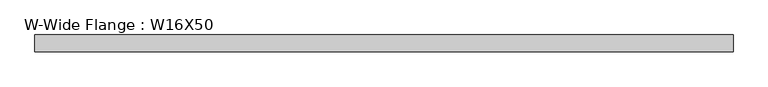
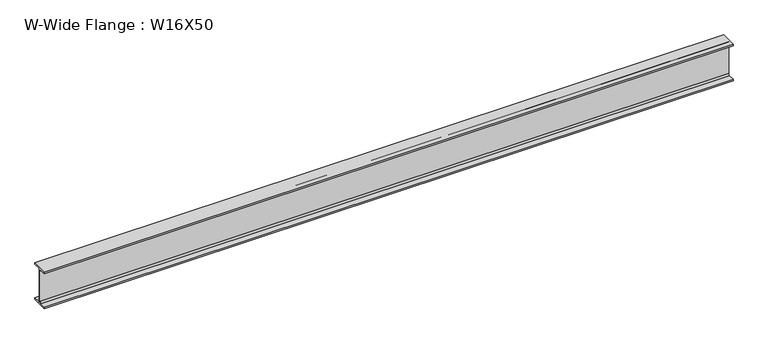
"""IFC4 building model written with IfcOpenShell, lengths in millimetres: beam geometry, W-Wide Flange : W16X50."""

from ifc_helpers import new_model, si_unit, point, frame, frame_2d, origin, place, context, project, spatial, polyline, circle_curve, trimmed, segment, composite_curve, outline, extrude, source, transform, mapped, element, save


def w_wide_flange_w16x50_7963abec(model_context):
    return source(origin(), model_context, "Body", "SweptSolid", [
        extrude(outline(composite_curve([segment(polyline([(89.8, -191.0), (89.8, -207.0), (-89.8, -207.0), (-89.8, -191.0), (-22.15, -191.0)]), True, "CONTINUOUS"), segment(trimmed(circle_curve(frame_2d((-22.15, -173.7)), 17.3), [point((-22.15, -191.0))], [point((-4.85, -173.7))], True, "CARTESIAN"), True, "CONTINUOUS"), segment(polyline([(-4.85, -173.7), (-4.85, 173.7)]), True, "CONTINUOUS"), segment(trimmed(circle_curve(frame_2d((-22.15, 173.7)), 17.3), [point((-4.85, 173.7))], [point((-22.15, 191.0))], True, "CARTESIAN"), True, "CONTINUOUS"), segment(polyline([(-22.15, 191.0), (-89.8, 191.0), (-89.8, 207.0), (89.8, 207.0), (89.8, 191.0), (22.15, 191.0)]), True, "CONTINUOUS"), segment(trimmed(circle_curve(frame_2d((22.15, 173.7)), 17.3), [point((22.15, 191.0))], [point((4.85, 173.7))], True, "CARTESIAN"), True, "CONTINUOUS"), segment(polyline([(4.85, 173.7), (4.85, -173.7)]), True, "CONTINUOUS"), segment(trimmed(circle_curve(frame_2d((22.15, -173.7)), 17.3), [point((4.85, -173.7))], [point((22.15, -191.0))], True, "CARTESIAN"), True, "CONTINUOUS"), segment(polyline([(22.15, -191.0), (89.8, -191.0)]), True, "CONTINUOUS")], self_intersect=False)), frame((-3731.4855948, 0.0, 0.0), z_axis=(1.0, 0.0, 0.0), x_axis=(0.0, 1.0, 0.0)), (0.0, 0.0, 1.0), 7460.2430291),
    ])


if __name__ == "__main__":
    model = new_model("IFC4")
    model_context = context("Model", 3, world=origin())
    ifc_project = project(units=[si_unit("LENGTHUNIT", "METRE", prefix="MILLI")], contexts=[model_context])
    site = spatial("IfcSite", under=ifc_project)
    building = spatial("IfcBuilding", under=site)
    placement = place(None, origin())
    w_wide_flange_w16x50_shape = w_wide_flange_w16x50_7963abec(model_context)
    element("IfcBeam", 1, ObjectType="W-Wide Flange : W16X50", at=placement, inside=building, context=model_context, shape_type="MappedRepresentation", body=[
        mapped(w_wide_flange_w16x50_shape, transform((0.0, 0.0, 0.0), x_axis=(1.0, 0.0, 0.0), y_axis=(0.0, 1.0, 0.0), z_axis=(0.0, 0.0, 1.0))),
    ])
    save(model, "model.ifc")
